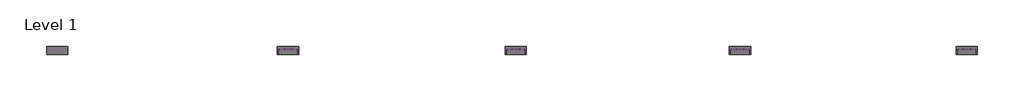
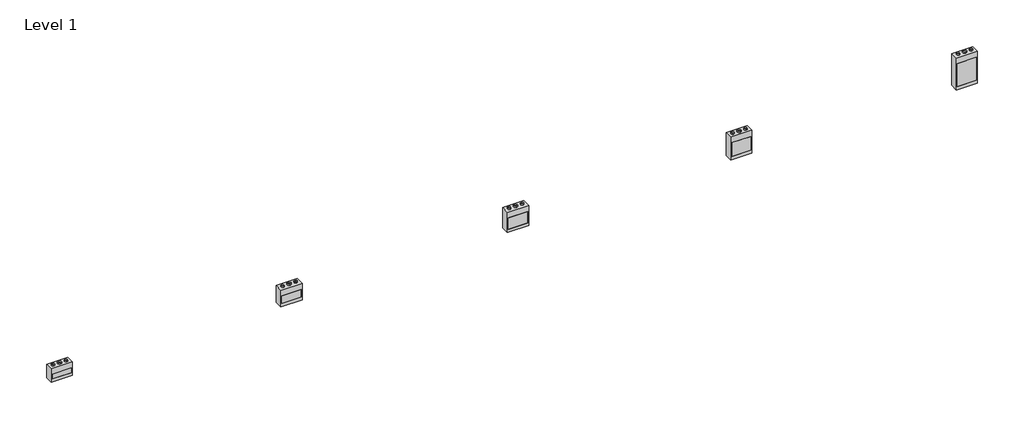
# One storey: 20 proxies.
"""IFC4 building model written with IfcOpenShell, lengths in millimetres."""

import ifcopenshell
import ifcopenshell.guid

model = None  # the IFC model being written
_history = None  # IfcOwnerHistory: only IFC2X3 demands one
_inside = {}  # id of a spatial element -> (the spatial element, [elements in it])
_under = {}  # id of a project, library or spatial element -> (it, [spatial elements below it])
_declared = {}  # id of a project -> (the project, [libraries it declares])
_typed = {}  # id of a type object -> (the type object, [elements of that type])
_made_of = {}  # id of a material, layer set ... -> (it, [elements and type objects made of it])


def new_model(schema):
    """Start an empty IFC model of exactly this schema.

    Asked for "IFC4X3", IfcOpenShell would pick the latest addendum, in which some entities
    have other attributes; the version numbers below select the first issue.
    IFC2X3 requires an IfcOwnerHistory on every rooted entity: one is made here for all.
    """
    global model, _history
    if schema == "IFC4X3":
        model = ifcopenshell.file(schema_version=(4, 3, 0, 0))
    else:
        model = ifcopenshell.file(schema=schema)
    _inside.clear()
    _under.clear()
    _declared.clear()
    _typed.clear()
    _made_of.clear()
    _history = None
    if model.schema == "IFC2X3":
        org = make("IfcOrganization", Name="unknown")
        user = make(
            "IfcPersonAndOrganization",
            ThePerson=make("IfcPerson", FamilyName="unknown"),
            TheOrganization=org,
        )
        app = make(
            "IfcApplication",
            ApplicationDeveloper=org,
            Version="unknown",
            ApplicationFullName="unknown",
            ApplicationIdentifier="unknown",
        )
        _history = make(
            "IfcOwnerHistory",
            OwningUser=user,
            OwningApplication=app,
            ChangeAction="ADDED",
            CreationDate=0,
        )
    return model


def make(cls, **values):
    """One entity of the class cls with the attributes given. An attribute that is None is left unset."""
    return model.create_entity(
        cls, **{name: value for name, value in values.items() if value is not None}
    )


def rooted(cls, **values):
    """An entity with a GlobalId (a new one), such as an element, a storey or a relation."""
    return make(cls, GlobalId=ifcopenshell.guid.new(), OwnerHistory=_history, **values)


def si_unit(unit_type, name, prefix=None):
    """IfcSIUnit, for example si_unit("LENGTHUNIT", "METRE", prefix="MILLI")."""
    return make("IfcSIUnit", UnitType=unit_type, Prefix=prefix, Name=name)


def assignment(units):
    """IfcUnitAssignment: the units of a project."""
    return None if units is None else make("IfcUnitAssignment", Units=units)


def point(xyz):
    """IfcCartesianPoint."""
    return None if xyz is None else make("IfcCartesianPoint", Coordinates=xyz)


def direction(xyz):
    """IfcDirection."""
    return None if xyz is None else make("IfcDirection", DirectionRatios=xyz)


def frame(location, z_axis=None, x_axis=None):
    """IfcAxis2Placement3D, a coordinate frame: its origin and axes. An axis left out is left unset."""
    return make(
        "IfcAxis2Placement3D",
        Location=point(location),
        Axis=direction(z_axis),
        RefDirection=direction(x_axis),
    )


def frame_2d(location, x_axis=None):
    """IfcAxis2Placement2D, a coordinate frame in the plane: its origin and x axis."""
    return make(
        "IfcAxis2Placement2D", Location=point(location), RefDirection=direction(x_axis)
    )


def origin():
    """The frame at (0, 0, 0) with its axes left unset."""
    return frame((0.0, 0.0, 0.0))


def origin_with_axes():
    """The frame at (0, 0, 0) with the z axis (0, 0, 1) and the x axis (1, 0, 0) written out."""
    return frame((0.0, 0.0, 0.0), z_axis=(0.0, 0.0, 1.0), x_axis=(1.0, 0.0, 0.0))


def origin_2d():
    """The frame at (0, 0) in the plane with its x axis left unset."""
    return frame_2d((0.0, 0.0))


def place(relative_to, where):
    """IfcLocalPlacement: puts the frame where relative to a parent placement (None: the world)."""
    return make(
        "IfcLocalPlacement", PlacementRelTo=relative_to, RelativePlacement=where
    )


def context(
    kind, dimensions, precision=None, world=None, true_north=None, identifier=None
):
    """IfcGeometricRepresentationContext, for example the 3D "Model" context."""
    return make(
        "IfcGeometricRepresentationContext",
        ContextIdentifier=identifier,
        ContextType=kind,
        CoordinateSpaceDimension=dimensions,
        Precision=precision,
        WorldCoordinateSystem=world,
        TrueNorth=true_north,
    )


def project(units=None, contexts=None):
    """IfcProject with its units and contexts."""
    return rooted(
        "IfcProject",
        Name="project",
        RepresentationContexts=contexts,
        UnitsInContext=assignment(units),
    )


def spatial(cls, under=None, at=None, **own):
    """A site, building, storey or space (cls), placed at a placement, below another one or the project."""
    s = rooted(cls, ObjectPlacement=at, **own)
    if under is not None:
        _under.setdefault(under.id(), (under, []))[1].append(s)
    return s


def polyline(points):
    """IfcPolyline through the points."""
    return make("IfcPolyline", Points=[point(p) for p in points])


def circle_curve(where, radius):
    """IfcCircle in the frame where."""
    return make("IfcCircle", Position=where, Radius=radius)


def trimmed(basis, trim1, trim2, sense, master):
    """IfcTrimmedCurve: the piece of a basis curve between two trims."""
    return make(
        "IfcTrimmedCurve",
        BasisCurve=basis,
        Trim1=trim1,
        Trim2=trim2,
        SenseAgreement=sense,
        MasterRepresentation=master,
    )


def segment(curve, same_sense, transition):
    """IfcCompositeCurveSegment."""
    return make(
        "IfcCompositeCurveSegment",
        Transition=transition,
        SameSense=same_sense,
        ParentCurve=curve,
    )


def composite_curve(segments, self_intersect=None):
    """IfcCompositeCurve: segments joined end to end."""
    return make("IfcCompositeCurve", Segments=segments, SelfIntersect=self_intersect)


def outline(outer, holes=None, kind="AREA"):
    """IfcArbitraryClosedProfileDef: a profile drawn as a closed curve; with holes, ...WithVoids."""
    if holes is None:
        return make("IfcArbitraryClosedProfileDef", ProfileType=kind, OuterCurve=outer)
    return make(
        "IfcArbitraryProfileDefWithVoids",
        ProfileType=kind,
        OuterCurve=outer,
        InnerCurves=holes,
    )


def extrude(swept, where, along, depth):
    """IfcExtrudedAreaSolid: the profile swept, set in the frame where, extruded along a direction by depth."""
    return make(
        "IfcExtrudedAreaSolid",
        SweptArea=swept,
        Position=where,
        ExtrudedDirection=direction(along),
        Depth=depth,
    )


def faces_of(points, faces, orient=None, outer=None):
    """IfcFace entities. A face is a list of loops; a loop is a list of indices into points, from 0.

    orient and outer hold one flag for each loop. By default every Orientation is true, the
    first loop of a face is its IfcFaceOuterBound and the others are IfcFaceBound.
    """
    made = []
    for i, loops in enumerate(faces):
        bounds = []
        for j, loop in enumerate(loops):
            is_outer = j == 0 if outer is None else outer[i][j]
            bounds.append(
                make(
                    "IfcFaceOuterBound" if is_outer else "IfcFaceBound",
                    Bound=make("IfcPolyLoop", Polygon=[points[k] for k in loop]),
                    Orientation=True if orient is None else orient[i][j],
                )
            )
        made.append(make("IfcFace", Bounds=bounds))
    return made


def faceted_brep(points, faces, orient=None, outer=None, voids=None):
    """IfcFacetedBrep: a solid bounded by flat faces; with voids (closed shells), ...WithVoids."""
    shared = [point(p) for p in points]
    hull = make("IfcClosedShell", CfsFaces=faces_of(shared, faces, orient, outer))
    if voids is None:
        return make("IfcFacetedBrep", Outer=hull)
    return make(
        "IfcFacetedBrepWithVoids",
        Outer=hull,
        Voids=[
            make(cls, CfsFaces=faces_of(shared, fs, o, b)) for cls, fs, o, b in voids
        ],
    )


def shape(context_of_items, identifier, shape_type, items):
    """IfcShapeRepresentation: the items that make up one representation, for example the "Body"."""
    return make(
        "IfcShapeRepresentation",
        ContextOfItems=context_of_items,
        RepresentationIdentifier=identifier,
        RepresentationType=shape_type,
        Items=items,
    )


def source(mapping_origin, context_of_items, identifier, shape_type, items):
    """IfcRepresentationMap: a shape defined once, which mapped items show again and again."""
    return make(
        "IfcRepresentationMap",
        MappingOrigin=mapping_origin,
        MappedRepresentation=shape(context_of_items, identifier, shape_type, items),
    )


def transform(
    local_origin,
    x_axis=None,
    y_axis=None,
    z_axis=None,
    scale=None,
    scale2=None,
    scale3=None,
    uniform=True,
):
    """IfcCartesianTransformationOperator3D, or its non-uniform kind. x_axis, y_axis, z_axis: its Axis1, 2, 3."""
    if uniform:
        return make(
            "IfcCartesianTransformationOperator3D",
            Axis1=direction(x_axis),
            Axis2=direction(y_axis),
            LocalOrigin=point(local_origin),
            Scale=scale,
            Axis3=direction(z_axis),
        )
    return make(
        "IfcCartesianTransformationOperator3DnonUniform",
        Axis1=direction(x_axis),
        Axis2=direction(y_axis),
        LocalOrigin=point(local_origin),
        Scale=scale,
        Axis3=direction(z_axis),
        Scale2=scale2,
        Scale3=scale3,
    )


def mapped(mapping_source, mapping_target):
    """IfcMappedItem: shows the shape of a source again, moved by a transform."""
    return make(
        "IfcMappedItem", MappingSource=mapping_source, MappingTarget=mapping_target
    )


def made_of(thing, what):
    """Note that an element or type object is made of a material, layer set ...; save() writes the relation."""
    if what is not None:
        _made_of.setdefault(what.id(), (what, []))[1].append(thing)
    return thing


def element(
    cls,
    number,
    at=None,
    inside=None,
    cuts=None,
    type_object=None,
    material=None,
    context=None,
    identifier="Body",
    shape_type=None,
    held_by="IfcProductDefinitionShape",
    body=None,
    shapes=None,
    **own,
):
    """One element of the class cls, such as IfcWall. Its Tag is "e" and its number.

    at: its placement. inside: the storey or other place that contains it. cuts: it is an
    opening in that element (IfcRelVoidsElement). A single representation is given by context,
    identifier, shape_type and body (its items); several are given by shapes. held_by: the class
    of the entity that holds the representations. save() writes the other relations.
    """
    e = rooted(cls, Tag="e%d" % number, ObjectPlacement=at, **own)
    if body is not None:
        shapes = [shape(context, identifier, shape_type, body)]
    if shapes is not None:
        e.Representation = make(held_by, Representations=shapes)
    if inside is not None:
        _inside.setdefault(inside.id(), (inside, []))[1].append(e)
    if cuts is not None:
        rooted(
            "IfcRelVoidsElement", RelatingBuildingElement=cuts, RelatedOpeningElement=e
        )
    if type_object is not None:
        _typed.setdefault(type_object.id(), (type_object, []))[1].append(e)
    return made_of(e, material)


def aggregate(whole, parts):
    """IfcRelAggregates: a whole, such as a stair, and the parts it consists of."""
    return rooted("IfcRelAggregates", RelatingObject=whole, RelatedObjects=parts)


def save(model, path):
    """Write the relations noted so far, then the file.

    IfcRelAggregates (storeys below a building ...), IfcRelContainedInSpatialStructure (elements
    in a storey), IfcRelDefinesByType, IfcRelAssociatesMaterial and IfcRelDeclares: one each for
    every whole, place, type object, material and project.
    """
    for whole, parts in _under.values():
        aggregate(whole, parts)
    for where, things in _inside.values():
        rooted(
            "IfcRelContainedInSpatialStructure",
            RelatedElements=things,
            RelatingStructure=where,
        )
    for kind, things in _typed.values():
        rooted("IfcRelDefinesByType", RelatedObjects=things, RelatingType=kind)
    for what, things in _made_of.values():
        rooted("IfcRelAssociatesMaterial", RelatedObjects=things, RelatingMaterial=what)
    for by, libraries in _declared.values():
        rooted("IfcRelDeclares", RelatingContext=by, RelatedDefinitions=libraries)
    model.write(path)


def as_specified_dd502935(model_context):
    return source(origin(), model_context, "Body", "SolidModel", [
        faceted_brep([(-663.575, 676.275, -25.4), (-663.575, 676.275, -530.225), (-663.575, -676.275, -530.225), (-663.575, -676.275, -25.4), (-603.25, 292.1, -25.4), (-603.25, -469.9, -25.4), (-603.25, -469.9, -373.0625), (-603.25, 292.1, -373.0625), (663.575, 676.275, -25.4), (663.575, -676.275, -25.4), (603.25, 292.1, -25.4), (603.25, -469.9, -25.4), (663.575, -676.275, -530.225), (663.575, 676.275, -530.225), (603.25, 292.1, -373.0625), (603.25, -469.9, -373.0625)], [[[0, 1, 2, 3]], [[4, 5, 6, 7]], [[8, 0, 3, 9], [5, 4, 10, 11]], [[8, 9, 12, 13]], [[12, 9, 3, 2]], [[13, 12, 2, 1]], [[8, 13, 1, 0]], [[4, 7, 14, 10]], [[7, 6, 15, 14]], [[6, 5, 11, 15]], [[11, 10, 14, 15]]]),
        extrude(outline(polyline([(603.25, 292.1), (603.25, -469.9), (-603.25, -469.9), (-603.25, 292.1), (603.25, 292.1)])), frame((0.0, 0.0, -373.0625), z_axis=(0.0, 0.0, 1.0), x_axis=(1.0, 0.0, 0.0)), (0.0, 0.0, 1.0), 347.6625),
    ])


def as_specified_b25497d6(model_context):
    return source(origin(), model_context, "Body", "SolidModel", [
        faceted_brep([(-663.575, 752.475, -25.4), (-663.575, 752.475, -530.225), (-663.575, -752.475, -530.225), (-663.575, -752.475, -25.4), (-603.25, 368.3, -25.4), (-603.25, -546.1, -25.4), (-603.25, -546.1, -373.0625), (-603.25, 368.3, -373.0625), (663.575, 752.475, -25.4), (663.575, -752.475, -25.4), (603.25, 368.3, -25.4), (603.25, -546.1, -25.4), (663.575, -752.475, -530.225), (663.575, 752.475, -530.225), (603.25, 368.3, -373.0625), (603.25, -546.1, -373.0625)], [[[0, 1, 2, 3]], [[4, 5, 6, 7]], [[8, 0, 3, 9], [5, 4, 10, 11]], [[8, 9, 12, 13]], [[12, 9, 3, 2]], [[13, 12, 2, 1]], [[8, 13, 1, 0]], [[4, 7, 14, 10]], [[7, 6, 15, 14]], [[6, 5, 11, 15]], [[11, 10, 14, 15]]]),
        extrude(outline(polyline([(603.25, 368.3), (603.25, -546.1), (-603.25, -546.1), (-603.25, 368.3), (603.25, 368.3)])), frame((0.0, 0.0, -373.0625), z_axis=(0.0, 0.0, 1.0), x_axis=(1.0, 0.0, 0.0)), (0.0, 0.0, 1.0), 347.6625),
    ])


def as_specified_71663c70(model_context):
    return source(origin(), model_context, "Body", "SolidModel", [
        faceted_brep([(-663.575, 1057.275, -25.4), (-663.575, 1057.275, -530.225), (-663.575, -1057.275, -530.225), (-663.575, -1057.275, -25.4), (-603.25, 673.1, -25.4), (-603.25, -850.9, -25.4), (-603.25, -850.9, -373.0625), (-603.25, 673.1, -373.0625), (663.575, 1057.275, -25.4), (663.575, -1057.275, -25.4), (603.25, 673.1, -25.4), (603.25, -850.9, -25.4), (663.575, -1057.275, -530.225), (663.575, 1057.275, -530.225), (603.25, 673.1, -373.0625), (603.25, -850.9, -373.0625)], [[[0, 1, 2, 3]], [[4, 5, 6, 7]], [[8, 0, 3, 9], [5, 4, 10, 11]], [[8, 9, 12, 13]], [[12, 9, 3, 2]], [[13, 12, 2, 1]], [[8, 13, 1, 0]], [[4, 7, 14, 10]], [[7, 6, 15, 14]], [[6, 5, 11, 15]], [[11, 10, 14, 15]]]),
        extrude(outline(polyline([(603.25, 673.1), (603.25, -850.9), (-603.25, -850.9), (-603.25, 673.1), (603.25, 673.1)])), frame((0.0, 0.0, -373.0625), z_axis=(0.0, 0.0, 1.0), x_axis=(1.0, 0.0, 0.0)), (0.0, 0.0, 1.0), 347.6625),
    ])


def as_specified_4f90ab71(model_context):
    return source(origin(), model_context, "Body", "SolidModel", [
        faceted_brep([(-663.575, 447.675, -25.4), (-663.575, 447.675, -530.225), (-663.575, -447.675, -530.225), (-663.575, -447.675, -25.4), (-603.25, 63.5, -25.4), (-603.25, -241.3, -25.4), (-603.25, -241.3, -373.0625), (-603.25, 63.5, -373.0625), (663.575, 447.675, -25.4), (663.575, -447.675, -25.4), (603.25, 63.5, -25.4), (603.25, -241.3, -25.4), (663.575, -447.675, -530.225), (663.575, 447.675, -530.225), (603.25, 63.5, -373.0625), (603.25, -241.3, -373.0625)], [[[0, 1, 2, 3]], [[4, 5, 6, 7]], [[8, 0, 3, 9], [5, 4, 10, 11]], [[8, 9, 12, 13]], [[12, 9, 3, 2]], [[13, 12, 2, 1]], [[8, 13, 1, 0]], [[4, 7, 14, 10]], [[7, 6, 15, 14]], [[6, 5, 11, 15]], [[11, 10, 14, 15]]]),
        extrude(outline(polyline([(603.25, 63.5), (603.25, -241.3), (-603.25, -241.3), (-603.25, 63.5), (603.25, 63.5)])), frame((0.0, 0.0, -373.0625), z_axis=(0.0, 0.0, 1.0), x_axis=(1.0, 0.0, 0.0)), (0.0, 0.0, 1.0), 347.6625),
    ])


def as_specified_47d14436(model_context):
    return source(origin(), model_context, "Body", "SolidModel", [
        faceted_brep([(-663.575, 549.275, -25.4), (-663.575, 549.275, -530.225), (-663.575, -549.275, -530.225), (-663.575, -549.275, -25.4), (-603.25, 165.1, -25.4), (-603.25, -342.9, -25.4), (-603.25, -342.9, -373.0625), (-603.25, 165.1, -373.0625), (663.575, 549.275, -25.4), (663.575, -549.275, -25.4), (603.25, 165.1, -25.4), (603.25, -342.9, -25.4), (663.575, -549.275, -530.225), (663.575, 549.275, -530.225), (603.25, 165.1, -373.0625), (603.25, -342.9, -373.0625)], [[[0, 1, 2, 3]], [[4, 5, 6, 7]], [[8, 0, 3, 9], [5, 4, 10, 11]], [[8, 9, 12, 13]], [[12, 9, 3, 2]], [[13, 12, 2, 1]], [[8, 13, 1, 0]], [[4, 7, 14, 10]], [[7, 6, 15, 14]], [[6, 5, 11, 15]], [[11, 10, 14, 15]]]),
        extrude(outline(polyline([(603.25, 165.1), (603.25, -342.9), (-603.25, -342.9), (-603.25, 165.1), (603.25, 165.1)])), frame((0.0, 0.0, -373.0625), z_axis=(0.0, 0.0, 1.0), x_axis=(1.0, 0.0, 0.0)), (0.0, 0.0, 1.0), 347.6625),
    ])


def proxy_6224372d(model_context):
    return source(origin(), model_context, "Body", "SweptSolid", [
        extrude(outline(composite_curve([segment(trimmed(circle_curve(origin_2d(), 100.0125), [point((-100.0125, 0.0))], [point((100.0125, 0.0))], False, "CARTESIAN"), True, "CONTINUOUS"), segment(trimmed(circle_curve(origin_2d(), 100.0125), [point((100.0125, 0.0))], [point((-100.0125, 0.0))], False, "CARTESIAN"), True, "CONTINUOUS")], self_intersect=False), holes=[composite_curve([segment(trimmed(circle_curve(origin_2d(), 98.425), [point((-98.425, 0.0))], [point((98.425, 0.0))], True, "CARTESIAN"), True, "CONTINUOUS"), segment(trimmed(circle_curve(origin_2d(), 98.425), [point((98.425, 0.0))], [point((-98.425, 0.0))], True, "CARTESIAN"), True, "CONTINUOUS")], self_intersect=False)]), origin_with_axes(), (0.0, 0.0, 1.0), 76.2),
    ])


def proxy_d8bd2570(model_context):
    return source(origin(), model_context, "Body", "SweptSolid", [
        extrude(outline(composite_curve([segment(trimmed(circle_curve(origin_2d(), 123.825), [point((-123.825, 0.0))], [point((123.825, 0.0))], False, "CARTESIAN"), True, "CONTINUOUS"), segment(trimmed(circle_curve(origin_2d(), 123.825), [point((123.825, 0.0))], [point((-123.825, 0.0))], False, "CARTESIAN"), True, "CONTINUOUS")], self_intersect=False), holes=[composite_curve([segment(trimmed(circle_curve(origin_2d(), 122.2375), [point((-122.2375, 0.0))], [point((122.2375, 0.0))], True, "CARTESIAN"), True, "CONTINUOUS"), segment(trimmed(circle_curve(origin_2d(), 122.2375), [point((122.2375, 0.0))], [point((-122.2375, 0.0))], True, "CARTESIAN"), True, "CONTINUOUS")], self_intersect=False)]), origin_with_axes(), (0.0, 0.0, 1.0), 76.2),
    ])


model = new_model("IFC4")

# Units and contexts
model_context = context("Model", 3, world=origin())
ifc_project = project(units=[si_unit("LENGTHUNIT", "METRE", prefix="MILLI")], contexts=[model_context])

# Site, building, storey
site = spatial("IfcSite", under=ifc_project)
building = spatial("IfcBuilding", under=site)
storey = spatial("IfcBuildingStorey", under=building, Name="Level 1", Elevation=0.0)

# Proxies
placement = place(None, origin())
as_specified_shape = as_specified_dd502935(model_context)
element("IfcBuildingElementProxy", 1, Name="As Specified", ObjectType="As Specified", at=placement, inside=storey, context=model_context, shape_type="MappedRepresentation", body=[
    mapped(as_specified_shape, transform((14791.2574402, 1616.7712992, 1219.2), x_axis=(1.0, 0.0, 0.0), y_axis=(0.0, 0.0, 1.0), z_axis=(0.0, -1.0, 0.0))),
])
as_specified_2_shape = as_specified_b25497d6(model_context)
element("IfcBuildingElementProxy", 2, Name="As Specified", ObjectType="As Specified", at=placement, inside=storey, context=model_context, shape_type="MappedRepresentation", body=[
    mapped(as_specified_2_shape, transform((28812.0574402, 1616.7712992, 1219.2), x_axis=(1.0, 0.0, 0.0), y_axis=(0.0, 0.0, 1.0), z_axis=(0.0, -1.0, 0.0))),
])
as_specified_3_shape = as_specified_71663c70(model_context)
element("IfcBuildingElementProxy", 3, Name="As Specified", ObjectType="As Specified", at=placement, inside=storey, context=model_context, shape_type="MappedRepresentation", body=[
    mapped(as_specified_3_shape, transform((42985.2574402, 1616.7712992, 1219.2), x_axis=(1.0, 0.0, 0.0), y_axis=(0.0, 0.0, 1.0), z_axis=(0.0, -1.0, 0.0))),
])
as_specified_4_shape = as_specified_4f90ab71(model_context)
element("IfcBuildingElementProxy", 4, Name="As Specified", ObjectType="As Specified", at=placement, inside=storey, context=model_context, shape_type="MappedRepresentation", body=[
    mapped(as_specified_4_shape, transform((-13859.9425598, 1616.7712992, 1066.8), x_axis=(1.0, 0.0, 0.0), y_axis=(0.0, 0.0, 1.0), z_axis=(0.0, -1.0, 0.0))),
])
as_specified_5_shape = as_specified_47d14436(model_context)
element("IfcBuildingElementProxy", 5, Name="As Specified", ObjectType="As Specified", at=placement, inside=storey, context=model_context, shape_type="MappedRepresentation", body=[
    mapped(as_specified_5_shape, transform((565.6597121, 1616.7712992, 1144.6311604), x_axis=(1.0, 0.0, 0.0), y_axis=(0.0, 0.0, 1.0), z_axis=(0.0, -1.0, 0.0))),
])
proxy_shape = proxy_6224372d(model_context)
element("IfcBuildingElementProxy", 6, Name="Duct Dia : 7 7/8\" Dia", ObjectType="Duct Dia : 7 7/8\" Dia", at=placement, inside=storey, context=model_context, shape_type="MappedRepresentation", body=[
    mapped(proxy_shape, transform((-14266.3425598, 1894.5837992, 1514.475), x_axis=(0.0, -1.0, 0.0), y_axis=(1.0, 0.0, 0.0), z_axis=(0.0, 0.0, 1.0))),
])
element("IfcBuildingElementProxy", 7, Name="Duct Dia : 7 7/8\" Dia", ObjectType="Duct Dia : 7 7/8\" Dia", at=placement, inside=storey, context=model_context, shape_type="MappedRepresentation", body=[
    mapped(proxy_shape, transform((159.2597121, 1894.5837992, 1693.9061604), x_axis=(0.0, -1.0, 0.0), y_axis=(1.0, 0.0, 0.0), z_axis=(0.0, 0.0, 1.0))),
])
element("IfcBuildingElementProxy", 8, Name="Duct Dia : 7 7/8\" Dia", ObjectType="Duct Dia : 7 7/8\" Dia", at=placement, inside=storey, context=model_context, shape_type="MappedRepresentation", body=[
    mapped(proxy_shape, transform((14384.8574402, 1894.5837992, 1895.475), x_axis=(0.0, -1.0, 0.0), y_axis=(1.0, 0.0, 0.0), z_axis=(0.0, 0.0, 1.0))),
])
element("IfcBuildingElementProxy", 9, Name="Duct Dia : 7 7/8\" Dia", ObjectType="Duct Dia : 7 7/8\" Dia", at=placement, inside=storey, context=model_context, shape_type="MappedRepresentation", body=[
    mapped(proxy_shape, transform((28405.6574402, 1894.5837992, 1971.675), x_axis=(0.0, -1.0, 0.0), y_axis=(1.0, 0.0, 0.0), z_axis=(0.0, 0.0, 1.0))),
])
element("IfcBuildingElementProxy", 10, Name="Duct Dia : 7 7/8\" Dia", ObjectType="Duct Dia : 7 7/8\" Dia", at=placement, inside=storey, context=model_context, shape_type="MappedRepresentation", body=[
    mapped(proxy_shape, transform((42578.8574402, 1894.5837992, 2276.475), x_axis=(0.0, -1.0, 0.0), y_axis=(1.0, 0.0, 0.0), z_axis=(0.0, 0.0, 1.0))),
])
element("IfcBuildingElementProxy", 11, Name="Duct Dia : 7 7/8\" Dia", ObjectType="Duct Dia : 7 7/8\" Dia", at=placement, inside=storey, context=model_context, shape_type="MappedRepresentation", body=[
    mapped(proxy_shape, transform((-13453.5425598, 1894.5837992, 1514.475), x_axis=(0.0, -1.0, 0.0), y_axis=(1.0, 0.0, 0.0), z_axis=(0.0, 0.0, 1.0))),
])
element("IfcBuildingElementProxy", 12, Name="Duct Dia : 7 7/8\" Dia", ObjectType="Duct Dia : 7 7/8\" Dia", at=placement, inside=storey, context=model_context, shape_type="MappedRepresentation", body=[
    mapped(proxy_shape, transform((972.0597121, 1894.5837992, 1693.9061604), x_axis=(0.0, -1.0, 0.0), y_axis=(1.0, 0.0, 0.0), z_axis=(0.0, 0.0, 1.0))),
])
element("IfcBuildingElementProxy", 13, Name="Duct Dia : 7 7/8\" Dia", ObjectType="Duct Dia : 7 7/8\" Dia", at=placement, inside=storey, context=model_context, shape_type="MappedRepresentation", body=[
    mapped(proxy_shape, transform((15197.6574402, 1894.5837992, 1895.475), x_axis=(0.0, -1.0, 0.0), y_axis=(1.0, 0.0, 0.0), z_axis=(0.0, 0.0, 1.0))),
])
element("IfcBuildingElementProxy", 14, Name="Duct Dia : 7 7/8\" Dia", ObjectType="Duct Dia : 7 7/8\" Dia", at=placement, inside=storey, context=model_context, shape_type="MappedRepresentation", body=[
    mapped(proxy_shape, transform((29218.4574402, 1894.5837992, 1971.675), x_axis=(0.0, -1.0, 0.0), y_axis=(1.0, 0.0, 0.0), z_axis=(0.0, 0.0, 1.0))),
])
element("IfcBuildingElementProxy", 15, Name="Duct Dia : 7 7/8\" Dia", ObjectType="Duct Dia : 7 7/8\" Dia", at=placement, inside=storey, context=model_context, shape_type="MappedRepresentation", body=[
    mapped(proxy_shape, transform((43391.6574402, 1894.5837992, 2276.475), x_axis=(0.0, -1.0, 0.0), y_axis=(1.0, 0.0, 0.0), z_axis=(0.0, 0.0, 1.0))),
])
proxy_2_shape = proxy_d8bd2570(model_context)
element("IfcBuildingElementProxy", 16, Name="Duct Dia : 9 3/4\" Dia.", ObjectType="Duct Dia : 9 3/4\" Dia.", at=placement, inside=storey, context=model_context, shape_type="MappedRepresentation", body=[
    mapped(proxy_2_shape, transform((-13859.9425598, 1894.5837992, 1514.475), x_axis=(0.0, -1.0, 0.0), y_axis=(1.0, 0.0, 0.0), z_axis=(0.0, 0.0, 1.0))),
])
element("IfcBuildingElementProxy", 17, Name="Duct Dia : 9 3/4\" Dia.", ObjectType="Duct Dia : 9 3/4\" Dia.", at=placement, inside=storey, context=model_context, shape_type="MappedRepresentation", body=[
    mapped(proxy_2_shape, transform((565.6597121, 1894.5837992, 1693.9061604), x_axis=(0.0, -1.0, 0.0), y_axis=(1.0, 0.0, 0.0), z_axis=(0.0, 0.0, 1.0))),
])
element("IfcBuildingElementProxy", 18, Name="Duct Dia : 9 3/4\" Dia.", ObjectType="Duct Dia : 9 3/4\" Dia.", at=placement, inside=storey, context=model_context, shape_type="MappedRepresentation", body=[
    mapped(proxy_2_shape, transform((14791.2574402, 1894.5837992, 1895.475), x_axis=(0.0, -1.0, 0.0), y_axis=(1.0, 0.0, 0.0), z_axis=(0.0, 0.0, 1.0))),
])
element("IfcBuildingElementProxy", 19, Name="Duct Dia : 9 3/4\" Dia.", ObjectType="Duct Dia : 9 3/4\" Dia.", at=placement, inside=storey, context=model_context, shape_type="MappedRepresentation", body=[
    mapped(proxy_2_shape, transform((28812.0574402, 1894.5837992, 1971.675), x_axis=(0.0, -1.0, 0.0), y_axis=(1.0, 0.0, 0.0), z_axis=(0.0, 0.0, 1.0))),
])
element("IfcBuildingElementProxy", 20, Name="Duct Dia : 9 3/4\" Dia.", ObjectType="Duct Dia : 9 3/4\" Dia.", at=placement, inside=storey, context=model_context, shape_type="MappedRepresentation", body=[
    mapped(proxy_2_shape, transform((42985.2574402, 1894.5837992, 2276.475), x_axis=(0.0, -1.0, 0.0), y_axis=(1.0, 0.0, 0.0), z_axis=(0.0, 0.0, 1.0))),
])

save(model, "model.ifc")
